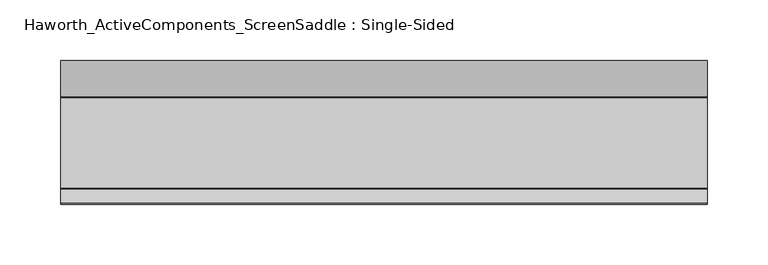
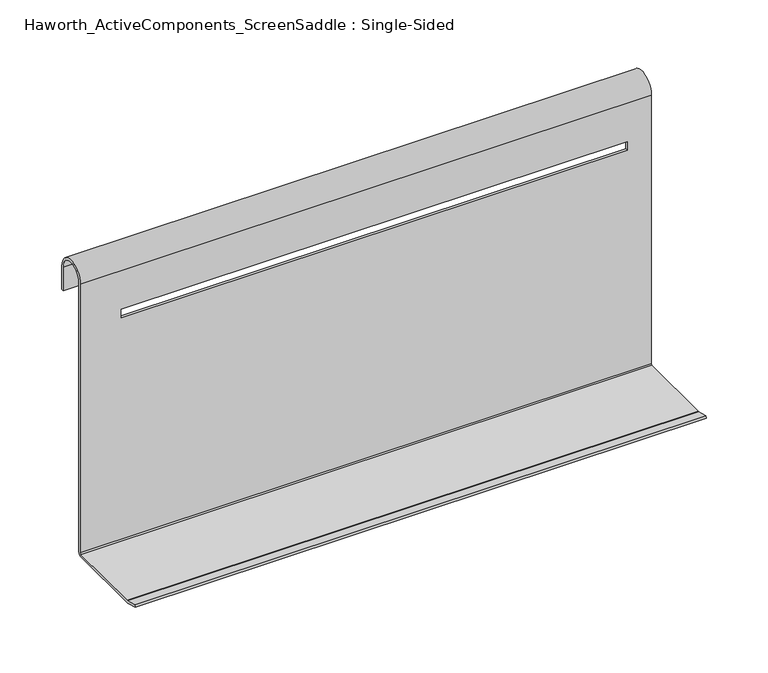
"""IFC4 building model written with IfcOpenShell, lengths in millimetres: furniture geometry, Haworth_ActiveComponents_ScreenSaddle : Single-Sided."""

import ifcopenshell
import ifcopenshell.guid

model = None  # the IFC model being written
_history = None  # IfcOwnerHistory: only IFC2X3 demands one
_inside = {}  # id of a spatial element -> (the spatial element, [elements in it])
_under = {}  # id of a project, library or spatial element -> (it, [spatial elements below it])
_declared = {}  # id of a project -> (the project, [libraries it declares])
_typed = {}  # id of a type object -> (the type object, [elements of that type])
_made_of = {}  # id of a material, layer set ... -> (it, [elements and type objects made of it])


def new_model(schema):
    """Start an empty IFC model of exactly this schema.

    Asked for "IFC4X3", IfcOpenShell would pick the latest addendum, in which some entities
    have other attributes; the version numbers below select the first issue.
    IFC2X3 requires an IfcOwnerHistory on every rooted entity: one is made here for all.
    """
    global model, _history
    if schema == "IFC4X3":
        model = ifcopenshell.file(schema_version=(4, 3, 0, 0))
    else:
        model = ifcopenshell.file(schema=schema)
    _inside.clear()
    _under.clear()
    _declared.clear()
    _typed.clear()
    _made_of.clear()
    _history = None
    if model.schema == "IFC2X3":
        org = make("IfcOrganization", Name="unknown")
        user = make(
            "IfcPersonAndOrganization",
            ThePerson=make("IfcPerson", FamilyName="unknown"),
            TheOrganization=org,
        )
        app = make(
            "IfcApplication",
            ApplicationDeveloper=org,
            Version="unknown",
            ApplicationFullName="unknown",
            ApplicationIdentifier="unknown",
        )
        _history = make(
            "IfcOwnerHistory",
            OwningUser=user,
            OwningApplication=app,
            ChangeAction="ADDED",
            CreationDate=0,
        )
    return model


def make(cls, **values):
    """One entity of the class cls with the attributes given. An attribute that is None is left unset."""
    return model.create_entity(
        cls, **{name: value for name, value in values.items() if value is not None}
    )


def rooted(cls, **values):
    """An entity with a GlobalId (a new one), such as an element, a storey or a relation."""
    return make(cls, GlobalId=ifcopenshell.guid.new(), OwnerHistory=_history, **values)


def si_unit(unit_type, name, prefix=None):
    """IfcSIUnit, for example si_unit("LENGTHUNIT", "METRE", prefix="MILLI")."""
    return make("IfcSIUnit", UnitType=unit_type, Prefix=prefix, Name=name)


def assignment(units):
    """IfcUnitAssignment: the units of a project."""
    return None if units is None else make("IfcUnitAssignment", Units=units)


def point(xyz):
    """IfcCartesianPoint."""
    return None if xyz is None else make("IfcCartesianPoint", Coordinates=xyz)


def direction(xyz):
    """IfcDirection."""
    return None if xyz is None else make("IfcDirection", DirectionRatios=xyz)


def frame(location, z_axis=None, x_axis=None):
    """IfcAxis2Placement3D, a coordinate frame: its origin and axes. An axis left out is left unset."""
    return make(
        "IfcAxis2Placement3D",
        Location=point(location),
        Axis=direction(z_axis),
        RefDirection=direction(x_axis),
    )


def origin():
    """The frame at (0, 0, 0) with its axes left unset."""
    return frame((0.0, 0.0, 0.0))


def place(relative_to, where):
    """IfcLocalPlacement: puts the frame where relative to a parent placement (None: the world)."""
    return make(
        "IfcLocalPlacement", PlacementRelTo=relative_to, RelativePlacement=where
    )


def context(
    kind, dimensions, precision=None, world=None, true_north=None, identifier=None
):
    """IfcGeometricRepresentationContext, for example the 3D "Model" context."""
    return make(
        "IfcGeometricRepresentationContext",
        ContextIdentifier=identifier,
        ContextType=kind,
        CoordinateSpaceDimension=dimensions,
        Precision=precision,
        WorldCoordinateSystem=world,
        TrueNorth=true_north,
    )


def project(units=None, contexts=None):
    """IfcProject with its units and contexts."""
    return rooted(
        "IfcProject",
        Name="project",
        RepresentationContexts=contexts,
        UnitsInContext=assignment(units),
    )


def spatial(cls, under=None, at=None, **own):
    """A site, building, storey or space (cls), placed at a placement, below another one or the project."""
    s = rooted(cls, ObjectPlacement=at, **own)
    if under is not None:
        _under.setdefault(under.id(), (under, []))[1].append(s)
    return s


def polyline(points):
    """IfcPolyline through the points."""
    return make("IfcPolyline", Points=[point(p) for p in points])


def circle_curve(where, radius):
    """IfcCircle in the frame where."""
    return make("IfcCircle", Position=where, Radius=radius)


def shape(context_of_items, identifier, shape_type, items):
    """IfcShapeRepresentation: the items that make up one representation, for example the "Body"."""
    return make(
        "IfcShapeRepresentation",
        ContextOfItems=context_of_items,
        RepresentationIdentifier=identifier,
        RepresentationType=shape_type,
        Items=items,
    )


def source(mapping_origin, context_of_items, identifier, shape_type, items):
    """IfcRepresentationMap: a shape defined once, which mapped items show again and again."""
    return make(
        "IfcRepresentationMap",
        MappingOrigin=mapping_origin,
        MappedRepresentation=shape(context_of_items, identifier, shape_type, items),
    )


def transform(
    local_origin,
    x_axis=None,
    y_axis=None,
    z_axis=None,
    scale=None,
    scale2=None,
    scale3=None,
    uniform=True,
):
    """IfcCartesianTransformationOperator3D, or its non-uniform kind. x_axis, y_axis, z_axis: its Axis1, 2, 3."""
    if uniform:
        return make(
            "IfcCartesianTransformationOperator3D",
            Axis1=direction(x_axis),
            Axis2=direction(y_axis),
            LocalOrigin=point(local_origin),
            Scale=scale,
            Axis3=direction(z_axis),
        )
    return make(
        "IfcCartesianTransformationOperator3DnonUniform",
        Axis1=direction(x_axis),
        Axis2=direction(y_axis),
        LocalOrigin=point(local_origin),
        Scale=scale,
        Axis3=direction(z_axis),
        Scale2=scale2,
        Scale3=scale3,
    )


def mapped(mapping_source, mapping_target):
    """IfcMappedItem: shows the shape of a source again, moved by a transform."""
    return make(
        "IfcMappedItem", MappingSource=mapping_source, MappingTarget=mapping_target
    )


def made_of(thing, what):
    """Note that an element or type object is made of a material, layer set ...; save() writes the relation."""
    if what is not None:
        _made_of.setdefault(what.id(), (what, []))[1].append(thing)
    return thing


def element(
    cls,
    number,
    at=None,
    inside=None,
    cuts=None,
    type_object=None,
    material=None,
    context=None,
    identifier="Body",
    shape_type=None,
    held_by="IfcProductDefinitionShape",
    body=None,
    shapes=None,
    **own,
):
    """One element of the class cls, such as IfcWall. Its Tag is "e" and its number.

    at: its placement. inside: the storey or other place that contains it. cuts: it is an
    opening in that element (IfcRelVoidsElement). A single representation is given by context,
    identifier, shape_type and body (its items); several are given by shapes. held_by: the class
    of the entity that holds the representations. save() writes the other relations.
    """
    e = rooted(cls, Tag="e%d" % number, ObjectPlacement=at, **own)
    if body is not None:
        shapes = [shape(context, identifier, shape_type, body)]
    if shapes is not None:
        e.Representation = make(held_by, Representations=shapes)
    if inside is not None:
        _inside.setdefault(inside.id(), (inside, []))[1].append(e)
    if cuts is not None:
        rooted(
            "IfcRelVoidsElement", RelatingBuildingElement=cuts, RelatedOpeningElement=e
        )
    if type_object is not None:
        _typed.setdefault(type_object.id(), (type_object, []))[1].append(e)
    return made_of(e, material)


def aggregate(whole, parts):
    """IfcRelAggregates: a whole, such as a stair, and the parts it consists of."""
    return rooted("IfcRelAggregates", RelatingObject=whole, RelatedObjects=parts)


def save(model, path):
    """Write the relations noted so far, then the file.

    IfcRelAggregates (storeys below a building ...), IfcRelContainedInSpatialStructure (elements
    in a storey), IfcRelDefinesByType, IfcRelAssociatesMaterial and IfcRelDeclares: one each for
    every whole, place, type object, material and project.
    """
    for whole, parts in _under.values():
        aggregate(whole, parts)
    for where, things in _inside.values():
        rooted(
            "IfcRelContainedInSpatialStructure",
            RelatedElements=things,
            RelatingStructure=where,
        )
    for kind, things in _typed.values():
        rooted("IfcRelDefinesByType", RelatedObjects=things, RelatingType=kind)
    for what, things in _made_of.values():
        rooted("IfcRelAssociatesMaterial", RelatedObjects=things, RelatingMaterial=what)
    for by, libraries in _declared.values():
        rooted("IfcRelDeclares", RelatingContext=by, RelatedDefinitions=libraries)
    model.write(path)


def plane_surface(at):
    """IfcPlane: the flat surface through the origin of the frame at, square to its z axis."""
    return make("IfcPlane", Position=at)


def cylinder_surface(at, radius):
    """IfcCylindricalSurface: all points at the distance radius from the z axis of the frame at."""
    return make("IfcCylindricalSurface", Position=at, Radius=radius)


def revolved_surface(curve, axis_point, axis_direction):
    """IfcSurfaceOfRevolution: the curve turned about the line through axis_point along axis_direction."""
    return make(
        "IfcSurfaceOfRevolution",
        SweptCurve=make("IfcArbitraryOpenProfileDef", ProfileType="CURVE", Curve=curve),
        AxisPosition=make("IfcAxis1Placement", Location=point(axis_point), Axis=direction(axis_direction)),
    )


def advanced_brep(points, edges, surfaces, faces):
    """IfcAdvancedBrep: a solid bounded by faces that lie on surfaces and meet in shared edges.

    An edge is (start, end): straight between two places in points (the first is 0);
    or (start, end, curve); or (start, end, curve, False) where it runs against its curve.
    A face is (place in surfaces, loops), or (place, loops, False) where it looks against
    its surface's normal. A loop lists edges by number (the first is 1), with a minus sign
    where the edge is run from its end to its start. The first loop is the outer one.
    """
    corners = [point(p) for p in points]
    vertices = [make("IfcVertexPoint", VertexGeometry=c) for c in corners]
    made = []
    for start, end, *more in edges:
        made.append(
            make(
                "IfcEdgeCurve",
                EdgeStart=vertices[start],
                EdgeEnd=vertices[end],
                EdgeGeometry=more[0] if more else make("IfcPolyline", Points=[corners[start], corners[end]]),
                SameSense=more[1] if len(more) > 1 else True,
            )
        )
    hull = []
    for where, loops, *sense in faces:
        bounds = []
        for j, loop in enumerate(loops):
            ring = [make("IfcOrientedEdge", EdgeElement=made[abs(k) - 1], Orientation=k > 0) for k in loop]
            bounds.append(
                make(
                    "IfcFaceOuterBound" if j == 0 else "IfcFaceBound",
                    Bound=make("IfcEdgeLoop", EdgeList=ring),
                    Orientation=True,
                )
            )
        hull.append(make("IfcAdvancedFace", Bounds=bounds, FaceSurface=surfaces[where], SameSense=sense[0] if sense else True))
    return make("IfcAdvancedBrep", Outer=make("IfcClosedShell", CfsFaces=hull))


def haworth_activecomponents_screensaddle_single_sided_0945f16e(model_context):
    return source(origin(), model_context, "Body", "AdvancedBrep", [
        advanced_brep(
        [(-134.9375, 66.5707628, 742.0951226), (-134.9375, 78.1434349, 738.9941695), (-134.9375, 78.9652015, 738.8859797), (-134.9375, 153.7589605, 738.8859797), (-134.9375, 154.751148, 739.8781672), (-134.9375, 154.751148, 1005.0780165), (-134.9375, 184.7231489, 1005.0780165), (-134.9375, 184.7231489, 981.9640203), (-134.9375, 182.4371488, 981.9640203), (-134.9375, 182.4371488, 1005.0780165), (-134.9375, 157.0371481, 1005.0780165), (-134.9375, 157.0371481, 739.775), (-134.9375, 153.8621481, 736.6), (-134.9375, 78.6642696, 736.6), (-134.9375, 77.8425031, 736.7081898), (-134.9375, 65.979102, 739.8870452), (398.4625, 66.5707628, 742.0951226), (398.4625, 65.979102, 739.8870452), (398.4625, 77.8425031, 736.7081898), (398.4625, 78.6642696, 736.6), (398.4625, 153.8621481, 736.6), (398.4625, 157.0371481, 739.775), (398.4625, 157.0371481, 1005.0780165), (398.4625, 182.4371488, 1005.0780165), (398.4625, 182.4371488, 981.9640203), (398.4625, 184.7231489, 981.9640203), (398.4625, 184.7231489, 1005.0780165), (398.4625, 154.751148, 1005.0780165), (398.4625, 154.751148, 739.8781672), (398.4625, 153.7589605, 738.8859797), (398.4625, 78.9652015, 738.8859797), (398.4625, 78.1434349, 738.9941695), (-96.8374909, 154.751148, 967.0414574), (375.980132, 154.751148, 967.0414574), (375.980132, 154.751148, 958.7865107), (-96.8374909, 154.751148, 958.7865107), (375.980132, 157.0371481, 967.0414574), (-96.8374909, 157.0371481, 967.0414574), (-96.8374909, 157.0371481, 958.7865107), (375.980132, 157.0371481, 958.7865107)],
        [
            (0, 1),
            (1, 2, circle_curve(frame((-134.9375, 78.9652015, 742.0609797), z_axis=(1.0, 0.0, 0.0), x_axis=(0.0, 1.0, 0.0)), 3.175)),
            (2, 3),
            (3, 4, circle_curve(frame((-134.9375, 153.7589605, 739.8781672), z_axis=(1.0, 0.0, 0.0), x_axis=(0.0, 1.0, 0.0)), 0.9921875)),
            (4, 5),
            (5, 6, circle_curve(frame((-134.9375, 169.7371484, 1005.0780165), z_axis=(-1.0, 0.0, 0.0), x_axis=(0.0, 1.0, 0.0)), 14.9860005)),
            (6, 7),
            (7, 8),
            (8, 9),
            (9, 10, circle_curve(frame((-134.9375, 169.7371484, 1005.0780165), z_axis=(1.0, 0.0, 0.0), x_axis=(0.0, 1.0, 0.0)), 12.7000004)),
            (10, 11),
            (11, 12, circle_curve(frame((-134.9375, 153.8621481, 739.775), z_axis=(-1.0, 0.0, 0.0), x_axis=(0.0, 1.0, 0.0)), 3.175)),
            (12, 13),
            (13, 14, circle_curve(frame((-134.9375, 78.6642696, 739.775), z_axis=(-1.0, 0.0, 0.0), x_axis=(0.0, 1.0, 0.0)), 3.175)),
            (14, 15),
            (15, 0),
            (16, 17),
            (17, 18),
            (18, 19, circle_curve(frame((398.4625, 78.6642696, 739.775), z_axis=(1.0, 0.0, 0.0), x_axis=(0.0, 1.0, 0.0)), 3.175)),
            (19, 20),
            (20, 21, circle_curve(frame((398.4625, 153.8621481, 739.775), z_axis=(1.0, 0.0, 0.0), x_axis=(0.0, 1.0, 0.0)), 3.175)),
            (21, 22),
            (22, 23, circle_curve(frame((398.4625, 169.7371484, 1005.0780165), z_axis=(-1.0, 0.0, 0.0), x_axis=(0.0, 1.0, 0.0)), 12.7000004)),
            (23, 24),
            (24, 25),
            (25, 26),
            (26, 27, circle_curve(frame((398.4625, 169.7371484, 1005.0780165), z_axis=(1.0, 0.0, 0.0), x_axis=(0.0, 1.0, 0.0)), 14.9860005)),
            (27, 28),
            (28, 29, circle_curve(frame((398.4625, 153.7589605, 739.8781672), z_axis=(-1.0, 0.0, 0.0), x_axis=(0.0, 1.0, 0.0)), 0.9921875)),
            (29, 30),
            (30, 31, circle_curve(frame((398.4625, 78.9652015, 742.0609797), z_axis=(-1.0, 0.0, 0.0), x_axis=(0.0, 1.0, 0.0)), 3.175)),
            (31, 16),
            (0, 16),
            (31, 1),
            (30, 2),
            (29, 3),
            (28, 4),
            (27, 5),
            (32, 33),
            (33, 34),
            (34, 35),
            (35, 32),
            (26, 6),
            (25, 7),
            (8, 24),
            (23, 9),
            (22, 10),
            (21, 11),
            (36, 37),
            (37, 38),
            (38, 39),
            (39, 36),
            (20, 12),
            (19, 13),
            (18, 14),
            (17, 15),
            (36, 33),
            (32, 37),
            (35, 38),
            (34, 39),
        ],
        [
            plane_surface(frame((-134.9375, 169.7371484, 736.6), z_axis=(-1.0, 0.0, 0.0), x_axis=(0.0, 0.0, 1.0))),
            plane_surface(frame((398.4625, 169.7371484, 736.6), z_axis=(1.0, 0.0, 0.0), x_axis=(0.0, 0.0, 1.0))),
            plane_surface(frame((-134.9375, 66.5707628, 742.0951226), z_axis=(0.0, 0.25882410835551967, 0.965924469580293), x_axis=(1.0, 0.0, 0.0))),
            revolved_surface(polyline([(398.4625, 82.1402015, 742.0609797), (-134.9375, 82.1402015, 742.0609797)]), (-134.9375, 78.9652015, 742.0609797), (1.0, 0.0, 0.0)),
            plane_surface(frame((-134.9375, 78.9652015, 738.8859797), z_axis=(0.0, 0.0, 1.0), x_axis=(1.0, 0.0, 0.0))),
            revolved_surface(polyline([(398.4625, 154.751148, 739.8781672), (-134.9375, 154.751148, 739.8781672)]), (-134.9375, 153.7589605, 739.8781672), (1.0, 0.0, 0.0)),
            plane_surface(frame((-134.9375, 154.751148, 739.8781672), z_axis=(0.0, -1.0, 0.0), x_axis=(1.0, 0.0, 0.0))),
            cylinder_surface(frame((-134.9375, 169.7371484, 1005.0780165), z_axis=(-1.0, 0.0, 0.0), x_axis=(0.0, 1.0, 0.0)), 14.9860005),
            plane_surface(frame((-134.9375, 184.7231489, 1005.0780165), z_axis=(0.0, 1.0, 0.0), x_axis=(1.0, 0.0, 0.0))),
            plane_surface(frame((-134.9375, 182.4371488, 981.9640203), z_axis=(0.0, -1.0, 0.0), x_axis=(1.0, 0.0, 0.0))),
            revolved_surface(polyline([(398.4625, 182.4371488, 1005.0780165), (-134.9375, 182.4371488, 1005.0780165)]), (-134.9375, 169.7371484, 1005.0780165), (1.0, 0.0, 0.0)),
            plane_surface(frame((-134.9375, 157.0371481, 1005.0780165), z_axis=(0.0, 1.0, 0.0), x_axis=(1.0, 0.0, 0.0))),
            cylinder_surface(frame((-134.9375, 153.8621481, 739.775), z_axis=(-1.0, 0.0, 0.0), x_axis=(0.0, 1.0, 0.0)), 3.175),
            plane_surface(frame((-134.9375, 153.8621481, 736.6), z_axis=(0.0, 0.0, -1.0), x_axis=(1.0, 0.0, 0.0))),
            cylinder_surface(frame((-134.9375, 78.6642696, 739.775), z_axis=(-1.0, 0.0, 0.0), x_axis=(0.0, 1.0, 0.0)), 3.175),
            plane_surface(frame((-134.9375, 77.8425031, 736.7081898), z_axis=(0.0, -0.25882410835551967, -0.965924469580293), x_axis=(1.0, 0.0, 0.0))),
            plane_surface(frame((-134.9375, 65.979102, 739.8870452), z_axis=(0.0, -0.9659249219665191, 0.25882242005663675), x_axis=(1.0, 0.0, 0.0))),
            plane_surface(frame((-134.9375, 184.7231489, 981.9640203), z_axis=(0.0, 0.0, -1.0), x_axis=(1.0, 0.0, 0.0))),
            plane_surface(frame((375.980132, 150.6871484, 967.0414574), z_axis=(0.0, 0.0, -1.0), x_axis=(0.0, 1.0, 0.0))),
            plane_surface(frame((-96.8374909, 150.6871484, 967.0414574), z_axis=(1.0, 0.0, 0.0), x_axis=(0.0, 1.0, 0.0))),
            plane_surface(frame((-96.8374909, 150.6871484, 958.7865107), z_axis=(0.0, 0.0, 1.0), x_axis=(0.0, 1.0, 0.0))),
            plane_surface(frame((375.980132, 150.6871484, 958.7865107), z_axis=(-1.0, 0.0, 0.0), x_axis=(0.0, 1.0, 0.0))),
        ],
        [
            (0, [[1, 2, 3, 4, 5, 6, 7, 8, 9, 10, 11, 12, 13, 14, 15, 16]]),
            (1, [[17, 18, 19, 20, 21, 22, 23, 24, 25, 26, 27, 28, 29, 30, 31, 32]]),
            (2, [[-1, 33, -32, 34]]),
            (3, [[-2, -34, -31, 35]]),
            (4, [[-3, -35, -30, 36]]),
            (5, [[-4, -36, -29, 37]]),
            (6, [[-5, -37, -28, 38], [39, 40, 41, 42]]),
            (7, [[-6, -38, -27, 43]]),
            (8, [[-7, -43, -26, 44]]),
            (9, [[-9, 45, -24, 46]]),
            (10, [[-10, -46, -23, 47]]),
            (11, [[-11, -47, -22, 48], [49, 50, 51, 52]]),
            (12, [[-12, -48, -21, 53]]),
            (13, [[-13, -53, -20, 54]]),
            (14, [[-14, -54, -19, 55]]),
            (15, [[-15, -55, -18, 56]]),
            (16, [[-16, -56, -17, -33]]),
            (17, [[-8, -44, -25, -45]]),
            (18, [[57, -39, 58, -49]]),
            (19, [[-58, -42, 59, -50]]),
            (20, [[-59, -41, 60, -51]]),
            (21, [[-57, -52, -60, -40]]),
        ],
    ),
    ])


if __name__ == "__main__":
    model = new_model("IFC4")
    model_context = context("Model", 3, world=origin())
    ifc_project = project(units=[si_unit("LENGTHUNIT", "METRE", prefix="MILLI")], contexts=[model_context])
    site = spatial("IfcSite", under=ifc_project)
    building = spatial("IfcBuilding", under=site)
    placement = place(None, origin())
    haworth_activecomponents_screensaddle_single_sided_shape = haworth_activecomponents_screensaddle_single_sided_0945f16e(model_context)
    element("IfcFurniture", 1, ObjectType="Haworth_ActiveComponents_ScreenSaddle : Single-Sided", at=placement, inside=building, context=model_context, shape_type="MappedRepresentation", body=[
        mapped(haworth_activecomponents_screensaddle_single_sided_shape, transform((0.0, 0.0, 0.0), x_axis=(1.0, 0.0, 0.0), y_axis=(0.0, 1.0, 0.0), z_axis=(0.0, 0.0, 1.0))),
    ])
    save(model, "model.ifc")
